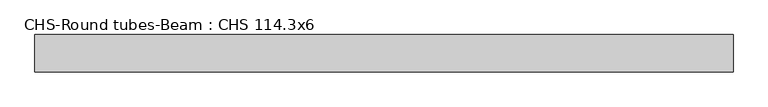
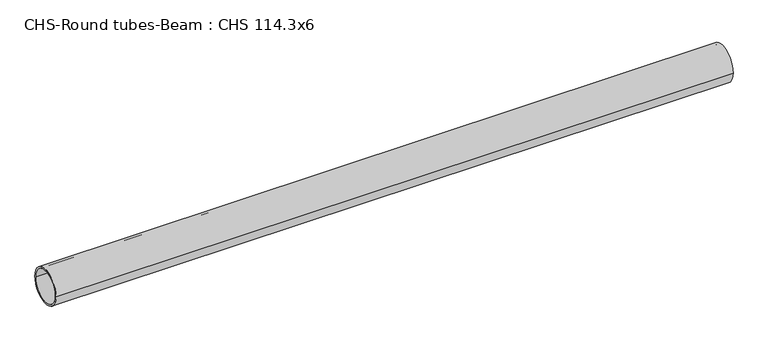
"""IFC4 building model written with IfcOpenShell, lengths in millimetres: beam geometry, CHS-Round tubes-Beam : CHS 114.3x6."""

from ifc_helpers import new_model, si_unit, point, frame, origin, origin_2d, place, context, project, spatial, circle_curve, trimmed, segment, composite_curve, outline, extrude, source, transform, mapped, element, save


def chs_round_tubes_beam_chs_114_3x6_b75afd51(model_context):
    return source(origin(), model_context, "Body", "SweptSolid", [
        extrude(outline(composite_curve([segment(trimmed(circle_curve(origin_2d(), 57.15), [point((57.15, 0.0))], [point((-57.15, 0.0))], False, "CARTESIAN"), True, "CONTINUOUS"), segment(trimmed(circle_curve(origin_2d(), 57.15), [point((-57.15, 0.0))], [point((57.15, 0.0))], False, "CARTESIAN"), True, "CONTINUOUS")], self_intersect=False), holes=[composite_curve([segment(trimmed(circle_curve(origin_2d(), 51.15), [point((51.15, 0.0))], [point((-51.15, 0.0))], True, "CARTESIAN"), True, "CONTINUOUS"), segment(trimmed(circle_curve(origin_2d(), 51.15), [point((-51.15, 0.0))], [point((51.15, 0.0))], True, "CARTESIAN"), True, "CONTINUOUS")], self_intersect=False)]), frame((-1020.2105583, 0.0, 0.0), z_axis=(1.0, 0.0, 0.0), x_axis=(0.0, 1.0, 0.0)), (0.0, 0.0, 1.0), 2123.5690251),
    ])


if __name__ == "__main__":
    model = new_model("IFC4")
    model_context = context("Model", 3, world=origin())
    ifc_project = project(units=[si_unit("LENGTHUNIT", "METRE", prefix="MILLI")], contexts=[model_context])
    site = spatial("IfcSite", under=ifc_project)
    building = spatial("IfcBuilding", under=site)
    placement = place(None, origin())
    chs_round_tubes_beam_chs_114_3x6_shape = chs_round_tubes_beam_chs_114_3x6_b75afd51(model_context)
    element("IfcBeam", 1, ObjectType="CHS-Round tubes-Beam : CHS 114.3x6", at=placement, inside=building, context=model_context, shape_type="MappedRepresentation", body=[
        mapped(chs_round_tubes_beam_chs_114_3x6_shape, transform((0.0, 0.0, 0.0), x_axis=(1.0, 0.0, 0.0), y_axis=(0.0, 1.0, 0.0), z_axis=(0.0, 0.0, 1.0))),
    ])
    save(model, "model.ifc")
